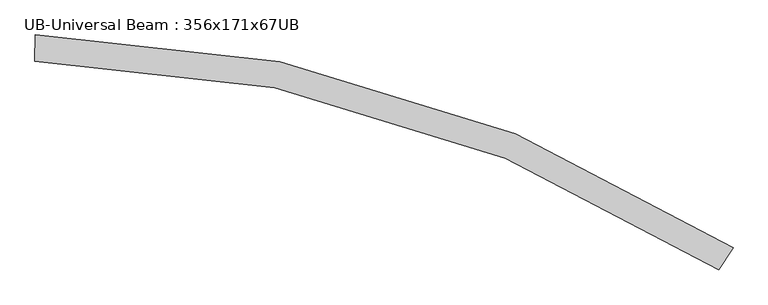
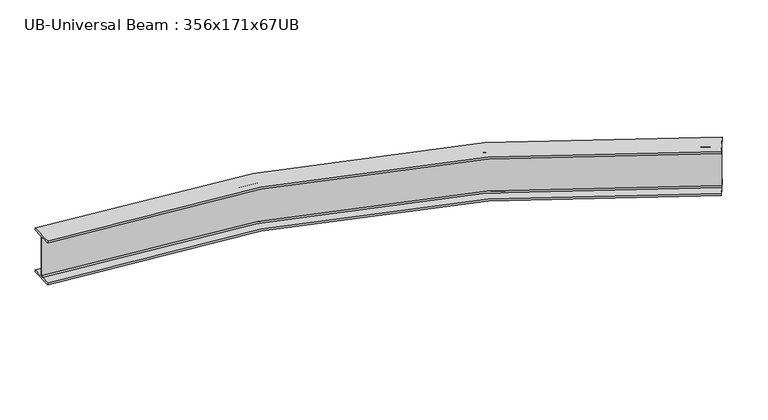
"""IFC4 building model written with IfcOpenShell, lengths in millimetres: beam geometry, UB-Universal Beam : 356x171x67UB."""

from ifc_helpers import new_model, si_unit, point, frame, origin, place, context, project, spatial, polyline, circle_curve, ellipse_curve, trimmed, source, transform, mapped, element, save
from ifc_brep_helpers import plane_surface, cylinder_surface, revolved_surface, advanced_brep


def ub_universal_beam_356x171x67ub_498c5cda(model_context):
    return source(origin(), model_context, "Body", "AdvancedBrep", [
        advanced_brep(
        [(4722.1146253, -1309.6181871, -166.0), (4683.0418383, -1369.9152834, -166.0), (4677.4949708, -1378.4752052, -155.8), (4677.4949708, -1378.4752052, 155.8), (4683.0418383, -1369.9152834, 166.0), (4722.1146253, -1309.6181871, 166.0), (4722.1146253, -1309.6181871, 181.7), (4627.9266404, -1454.9690162, 181.7), (4627.9266404, -1454.9690162, 166.0), (4666.9994274, -1394.67192, 166.0), (4672.5462949, -1386.1119981, 155.8), (4672.5462949, -1386.1119981, -155.8), (4666.9994274, -1394.67192, -166.0), (4627.9266404, -1454.9690162, -166.0), (4627.9266404, -1454.9690162, -181.7), (4722.1146253, -1309.6181871, -181.7), (148.7692121, 85.3255022, -166.0), (148.7692121, 85.3255022, -181.7), (145.8018397, -87.8490765, -181.7), (145.8018397, -87.8490765, -166.0), (147.0328195, -16.0096222, -166.0), (147.2075724, -5.8111193, -155.8), (147.2075724, -5.8111193, 155.8), (147.0328195, -16.0096222, 166.0), (145.8018397, -87.8490765, 166.0), (145.8018397, -87.8490765, 181.7), (148.7692121, 85.3255022, 181.7), (148.7692121, 85.3255022, 166.0), (147.5382323, 13.4860479, 166.0), (147.3634794, 3.287545, 155.8), (147.3634794, 3.287545, -155.8), (147.5382323, 13.4860479, -166.0)],
        [
            (0, 1),
            (1, 2, circle_curve(frame((4683.0418383, -1369.9152834, -155.8), z_axis=(-0.8392080198184617, 0.5438105363749184, 0.0), x_axis=(-0.5438105363749184, -0.8392080198184617, 0.0)), 10.2)),
            (2, 3),
            (3, 4, circle_curve(frame((4683.0418383, -1369.9152834, 155.8), z_axis=(-0.8392080198184617, 0.5438105363749184, 0.0), x_axis=(-0.5438105363749184, -0.8392080198184617, 0.0)), 10.2)),
            (4, 5),
            (5, 6),
            (6, 7),
            (7, 8),
            (8, 9),
            (9, 10, circle_curve(frame((4666.9994274, -1394.67192, 155.8), z_axis=(-0.8392080198184617, 0.5438105363749184, 0.0), x_axis=(-0.5438105363749184, -0.8392080198184617, 0.0)), 10.2)),
            (10, 11),
            (11, 12, circle_curve(frame((4666.9994274, -1394.67192, -155.8), z_axis=(-0.8392080198184617, 0.5438105363749184, 0.0), x_axis=(-0.5438105363749184, -0.8392080198184617, 0.0)), 10.2)),
            (12, 13),
            (13, 14),
            (14, 15),
            (15, 0),
            (16, 17),
            (17, 18),
            (18, 19),
            (19, 20),
            (20, 21, circle_curve(frame((147.0328195, -16.0096222, -155.8), z_axis=(0.9998532256423265, -0.017132634725433027, 0.0), x_axis=(-0.017132634725433027, -0.9998532256423265, 0.0)), 10.2)),
            (21, 22),
            (22, 23, circle_curve(frame((147.0328195, -16.0096222, 155.8), z_axis=(0.9998532256423265, -0.017132634725433027, 0.0), x_axis=(-0.017132634725433027, -0.9998532256423265, 0.0)), 10.2)),
            (23, 24),
            (24, 25),
            (25, 26),
            (26, 27),
            (27, 28),
            (28, 29, circle_curve(frame((147.5382323, 13.4860479, 155.8), z_axis=(0.9998532256423265, -0.017132634725433027, 0.0), x_axis=(-0.017132634725433027, -0.9998532256423265, 0.0)), 10.2)),
            (29, 30),
            (30, 31, circle_curve(frame((147.5382323, 13.4860479, -155.8), z_axis=(0.9998532256423265, -0.017132634725433027, 0.0), x_axis=(-0.017132634725433027, -0.9998532256423265, 0.0)), 10.2)),
            (31, 16),
            (0, 16, circle_curve(frame((0.0, -8596.7820043, -166.0), z_axis=(0.0, 0.0, 1.0), x_axis=(0.9564956712711321, -0.2917465181276143, 0.0)), 8683.3820043)),
            (31, 1, circle_curve(frame((0.0, -8596.7820043, -166.0), z_axis=(0.0, 0.0, -1.0), x_axis=(0.9564956712711321, -0.2917465181276143, 0.0)), 8611.5320043)),
            (30, 2, circle_curve(frame((0.0, -8596.7820043, -155.8), z_axis=(0.0, 0.0, -1.0), x_axis=(0.9564956712711321, -0.2917465181276143, 0.0)), 8601.3320043)),
            (29, 3, circle_curve(frame((0.0, -8596.7820043, 155.8), z_axis=(0.0, 0.0, -1.0), x_axis=(0.9564956712711321, -0.2917465181276143, 0.0)), 8601.3320043)),
            (28, 4, circle_curve(frame((0.0, -8596.7820043, 166.0), z_axis=(0.0, 0.0, -1.0), x_axis=(0.9564956712711321, -0.2917465181276143, 0.0)), 8611.5320043)),
            (27, 5, circle_curve(frame((0.0, -8596.7820043, 166.0), z_axis=(0.0, 0.0, -1.0), x_axis=(0.9564956712711321, -0.2917465181276143, 0.0)), 8683.3820043)),
            (26, 6, circle_curve(frame((0.0, -8596.7820043, 181.7), z_axis=(0.0, 0.0, -1.0), x_axis=(0.9564956712711321, -0.2917465181276143, 0.0)), 8683.3820043)),
            (25, 7, circle_curve(frame((0.0, -8596.7820043, 181.7), z_axis=(0.0, 0.0, -1.0), x_axis=(0.9564956712711321, -0.2917465181276143, 0.0)), 8510.1820043)),
            (24, 8, circle_curve(frame((0.0, -8596.7820043, 166.0), z_axis=(0.0, 0.0, -1.0), x_axis=(0.9564956712711321, -0.2917465181276143, 0.0)), 8510.1820043)),
            (23, 9, circle_curve(frame((0.0, -8596.7820043, 166.0), z_axis=(0.0, 0.0, -1.0), x_axis=(0.9564956712711321, -0.2917465181276143, 0.0)), 8582.0320043)),
            (22, 10, circle_curve(frame((0.0, -8596.7820043, 155.8), z_axis=(0.0, 0.0, -1.0), x_axis=(0.9564956712711321, -0.2917465181276143, 0.0)), 8592.2320043)),
            (21, 11, circle_curve(frame((0.0, -8596.7820043, -155.8), z_axis=(0.0, 0.0, -1.0), x_axis=(0.9564956712711321, -0.2917465181276143, 0.0)), 8592.2320043)),
            (20, 12, circle_curve(frame((0.0, -8596.7820043, -166.0), z_axis=(0.0, 0.0, -1.0), x_axis=(0.9564956712711321, -0.2917465181276143, 0.0)), 8582.0320043)),
            (19, 13, circle_curve(frame((0.0, -8596.7820043, -166.0), z_axis=(0.0, 0.0, -1.0), x_axis=(0.9564956712711321, -0.2917465181276143, 0.0)), 8510.1820043)),
            (18, 14, circle_curve(frame((0.0, -8596.7820043, -181.7), z_axis=(0.0, 0.0, -1.0), x_axis=(0.9564956712711321, -0.2917465181276143, 0.0)), 8510.1820043)),
            (17, 15, circle_curve(frame((0.0, -8596.7820043, -181.7), z_axis=(0.0, 0.0, -1.0), x_axis=(0.9564956712711321, -0.2917465181276143, 0.0)), 8683.3820043)),
        ],
        [
            plane_surface(frame((4675.0206328, -1382.2936017, 0.0), z_axis=(0.8392080198184582, -0.5438105363749238, 0.0), x_axis=(0.0, 0.0, 1.0))),
            plane_surface(frame((147.2855259, -1.2617872, 0.0), z_axis=(-0.9998532256423264, 0.01713263472543941, 0.0), x_axis=(0.0, 0.0, 1.0))),
            plane_surface(frame((0.0, -8596.7820043, -166.0), z_axis=(0.0, 0.0, 1.0), x_axis=(0.9564956712711321, -0.2917465181276143, 0.0))),
            revolved_surface(trimmed(ellipse_curve(frame((8236.8930851, -11109.1664823, -155.8), z_axis=(-0.29174651812761415, -0.9564956712711321, 0.0), x_axis=(-0.9564956712711321, 0.29174651812761415, 0.0)), 10.2, 10.2), [point((8227.1368293, -11106.1906678, -155.8))], [point((8236.8930851, -11109.1664823, -166.0))], True, "CARTESIAN"), (0.0, -8596.7820043, 0.0), (0.0, 0.0, -1.0)),
            cylinder_surface(frame((0.0, -8596.7820043, 0.0), z_axis=(0.0, 0.0, -1.0), x_axis=(0.9564956712711321, -0.2917465181276143, 0.0)), 8601.3320043),
            revolved_surface(trimmed(ellipse_curve(frame((8236.8930851, -11109.1664823, 155.8), z_axis=(-0.29174651812761415, -0.9564956712711321, 0.0), x_axis=(-0.9564956712711321, 0.29174651812761415, 0.0)), 10.2, 10.2), [point((8236.8930851, -11109.1664823, 166.0))], [point((8227.1368293, -11106.1906678, 155.8))], True, "CARTESIAN"), (0.0, -8596.7820043, 0.0), (0.0, 0.0, -1.0)),
            plane_surface(frame((0.0, -8596.7820043, 166.0), z_axis=(0.0, 0.0, -1.0), x_axis=(0.9564956712711321, -0.2917465181276143, 0.0))),
            cylinder_surface(frame((0.0, -8596.7820043, 0.0), z_axis=(0.0, 0.0, -1.0), x_axis=(0.9564956712711321, -0.2917465181276143, 0.0)), 8683.3820043),
            plane_surface(frame((0.0, -8596.7820043, 181.7), z_axis=(0.0, 0.0, 1.0), x_axis=(0.9564956712711321, -0.2917465181276143, 0.0))),
            revolved_surface(polyline([(8139.952248842437, -11079.597972686806, 166.0), (8139.952248842437, -11079.597972686806, 181.7)]), (0.0, -8596.7820043, 0.0), (0.0, 0.0, -1.0)),
            revolved_surface(trimmed(ellipse_curve(frame((8208.6764628, -11100.55996, 155.8), z_axis=(-0.29174651812761415, -0.9564956712711321, 0.0), x_axis=(-0.9564956712711321, 0.29174651812761415, 0.0)), 10.2, 10.2), [point((8218.4327187, -11103.5357745, 155.8))], [point((8208.6764628, -11100.55996, 166.0))], True, "CARTESIAN"), (0.0, -8596.7820043, 0.0), (0.0, 0.0, -1.0)),
            revolved_surface(polyline([(8218.432718670234, -11103.535774499178, -155.8), (8218.432718670234, -11103.535774499178, 155.8)]), (0.0, -8596.7820043, 0.0), (0.0, 0.0, -1.0)),
            revolved_surface(trimmed(ellipse_curve(frame((8208.6764628, -11100.55996, -155.8), z_axis=(-0.29174651812761415, -0.9564956712711321, 0.0), x_axis=(-0.9564956712711321, 0.29174651812761415, 0.0)), 10.2, 10.2), [point((8208.6764628, -11100.55996, -166.0))], [point((8218.4327187, -11103.5357745, -155.8))], True, "CARTESIAN"), (0.0, -8596.7820043, 0.0), (0.0, 0.0, -1.0)),
            revolved_surface(polyline([(8139.952248842437, -11079.597972686806, -181.7), (8139.952248842437, -11079.597972686806, -166.0)]), (0.0, -8596.7820043, 0.0), (0.0, 0.0, -1.0)),
            plane_surface(frame((0.0, -8596.7820043, -181.7), z_axis=(0.0, 0.0, -1.0), x_axis=(0.9564956712711321, -0.2917465181276143, 0.0))),
        ],
        [
            (0, [[1, 2, 3, 4, 5, 6, 7, 8, 9, 10, 11, 12, 13, 14, 15, 16]]),
            (1, [[17, 18, 19, 20, 21, 22, 23, 24, 25, 26, 27, 28, 29, 30, 31, 32]]),
            (2, [[-1, 33, -32, 34]]),
            (3, [[-2, -34, -31, 35]]),
            (4, [[-3, -35, -30, 36]]),
            (5, [[-4, -36, -29, 37]]),
            (6, [[-5, -37, -28, 38]]),
            (7, [[-6, -38, -27, 39]]),
            (8, [[-7, -39, -26, 40]]),
            (9, [[-8, -40, -25, 41]]),
            (6, [[-9, -41, -24, 42]]),
            (10, [[-10, -42, -23, 43]]),
            (11, [[-11, -43, -22, 44]]),
            (12, [[-12, -44, -21, 45]]),
            (2, [[-13, -45, -20, 46]]),
            (13, [[-14, -46, -19, 47]]),
            (14, [[-15, -47, -18, 48]]),
            (7, [[-16, -48, -17, -33]]),
        ],
    ),
    ])


if __name__ == "__main__":
    model = new_model("IFC4")
    model_context = context("Model", 3, world=origin())
    ifc_project = project(units=[si_unit("LENGTHUNIT", "METRE", prefix="MILLI")], contexts=[model_context])
    site = spatial("IfcSite", under=ifc_project)
    building = spatial("IfcBuilding", under=site)
    placement = place(None, origin())
    ub_universal_beam_356x171x67ub_shape = ub_universal_beam_356x171x67ub_498c5cda(model_context)
    element("IfcBeam", 1, ObjectType="UB-Universal Beam : 356x171x67UB", at=placement, inside=building, context=model_context, shape_type="MappedRepresentation", body=[
        mapped(ub_universal_beam_356x171x67ub_shape, transform((0.0, 0.0, 0.0), x_axis=(1.0, 0.0, 0.0), y_axis=(0.0, 1.0, 0.0), z_axis=(0.0, 0.0, 1.0))),
    ])
    save(model, "model.ifc")
